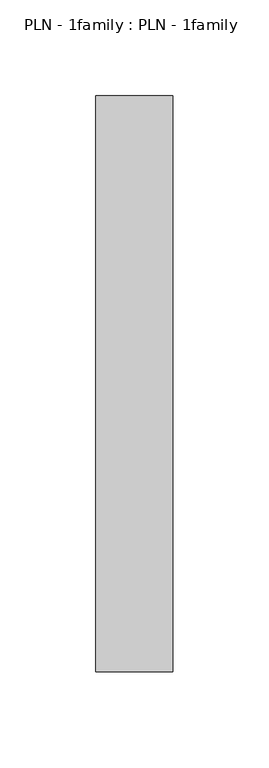
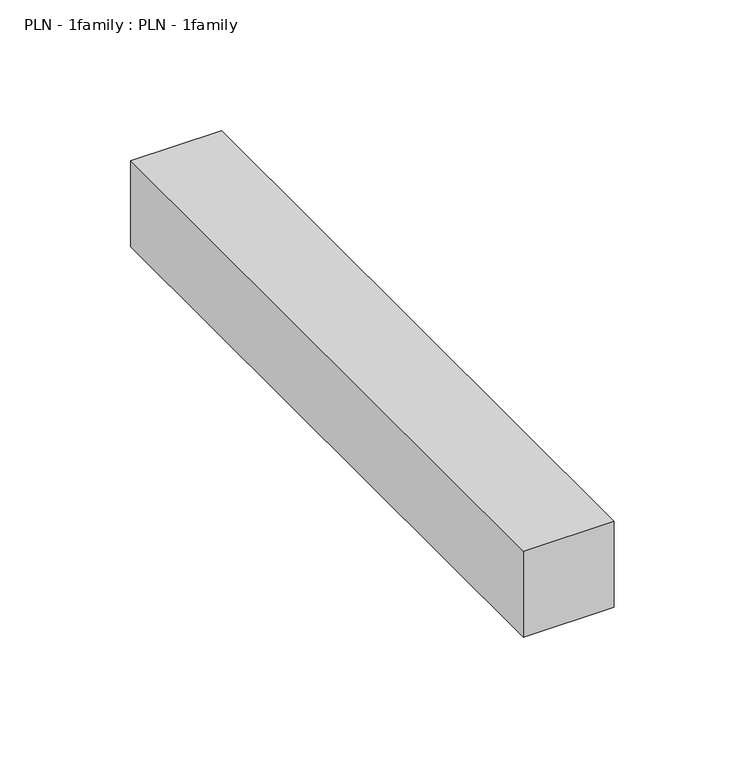
"""IFC4 building model written with IfcOpenShell, lengths in millimetres: proxy geometry, PLN - 1family : PLN - 1family."""

from ifc_helpers import new_model, si_unit, frame, origin, place, context, project, spatial, polyline, outline, extrude, source, transform, mapped, element, save


def pln_1family_pln_1family_cedcc5d7(model_context):
    return source(origin(), model_context, "Body", "SweptSolid", [
        extrude(outline(polyline([(0.0, 300.0), (40.0, 300.0), (40.0, 0.0), (0.0, 0.0), (0.0, 300.0)])), frame((0.0, 0.0, 250.0), z_axis=(0.0, 0.0, 1.0), x_axis=(1.0, 0.0, 0.0)), (0.0, 0.0, 1.0), 40.0),
    ])


if __name__ == "__main__":
    model = new_model("IFC4")
    model_context = context("Model", 3, world=origin())
    ifc_project = project(units=[si_unit("LENGTHUNIT", "METRE", prefix="MILLI")], contexts=[model_context])
    site = spatial("IfcSite", under=ifc_project)
    building = spatial("IfcBuilding", under=site)
    placement = place(None, origin())
    pln_1family_pln_1family_shape = pln_1family_pln_1family_cedcc5d7(model_context)
    element("IfcBuildingElementProxy", 1, Name="PLN - 1family : PLN - 1family", ObjectType="PLN - 1family : PLN - 1family", at=placement, inside=building, context=model_context, shape_type="MappedRepresentation", body=[
        mapped(pln_1family_pln_1family_shape, transform((0.0, 0.0, 0.0), x_axis=(1.0, 0.0, 0.0), y_axis=(0.0, 1.0, 0.0), z_axis=(0.0, 0.0, 1.0))),
    ])
    save(model, "model.ifc")
